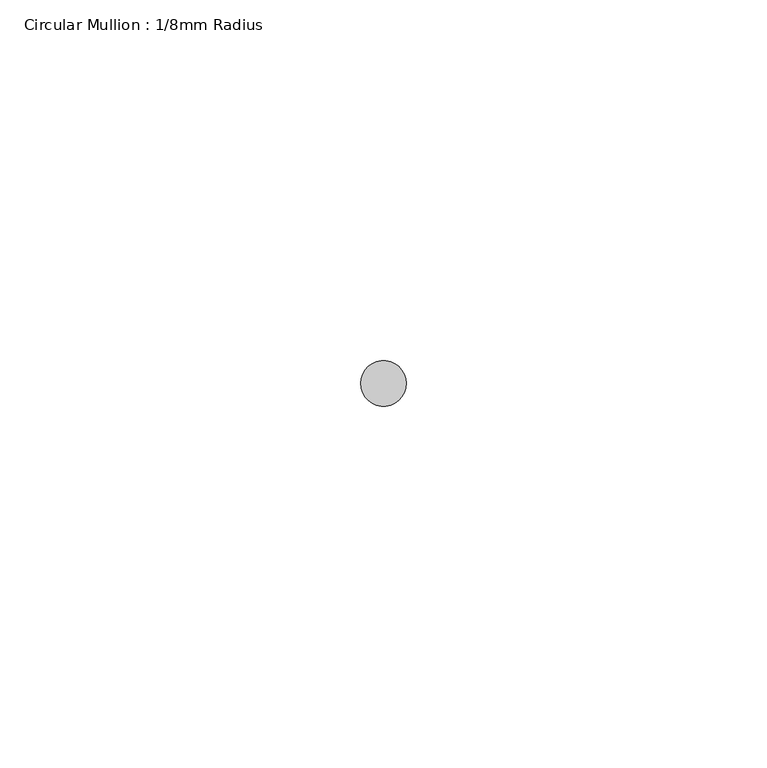
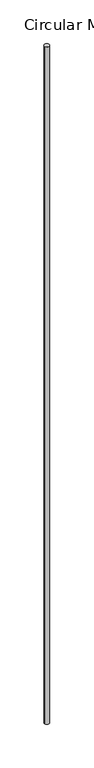
"""IFC4 building model written with IfcOpenShell, lengths in millimetres: member geometry, Circular Mullion : 1/8mm Radius."""

from ifc_helpers import new_model, si_unit, point, frame, origin, origin_2d, place, context, project, spatial, circle_curve, trimmed, segment, composite_curve, outline, extrude, source, transform, mapped, element, save


def circular_mullion_1_8mm_radius_f0f52823(model_context):
    return source(origin(), model_context, "Body", "SweptSolid", [
        extrude(outline(composite_curve([segment(trimmed(circle_curve(origin_2d(), 3.175), [point((3.175, 0.0))], [point((-3.175, 0.0))], False, "CARTESIAN"), True, "CONTINUOUS"), segment(trimmed(circle_curve(origin_2d(), 3.175), [point((-3.175, 0.0))], [point((3.175, 0.0))], False, "CARTESIAN"), True, "CONTINUOUS")], self_intersect=False)), frame((0.0, 0.0, -955.1510267), z_axis=(0.0, 0.0, 1.0), x_axis=(1.0, 0.0, 0.0)), (0.0, 0.0, 1.0), 955.1510267),
    ])


if __name__ == "__main__":
    model = new_model("IFC4")
    model_context = context("Model", 3, world=origin())
    ifc_project = project(units=[si_unit("LENGTHUNIT", "METRE", prefix="MILLI")], contexts=[model_context])
    site = spatial("IfcSite", under=ifc_project)
    building = spatial("IfcBuilding", under=site)
    placement = place(None, origin())
    circular_mullion_1_8mm_radius_shape = circular_mullion_1_8mm_radius_f0f52823(model_context)
    element("IfcMember", 1, ObjectType="Circular Mullion : 1/8mm Radius", at=placement, inside=building, context=model_context, shape_type="MappedRepresentation", body=[
        mapped(circular_mullion_1_8mm_radius_shape, transform((0.0, 0.0, 0.0), x_axis=(1.0, 0.0, 0.0), y_axis=(0.0, 1.0, 0.0), z_axis=(0.0, 0.0, 1.0))),
    ])
    save(model, "model.ifc")
